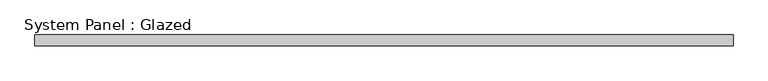
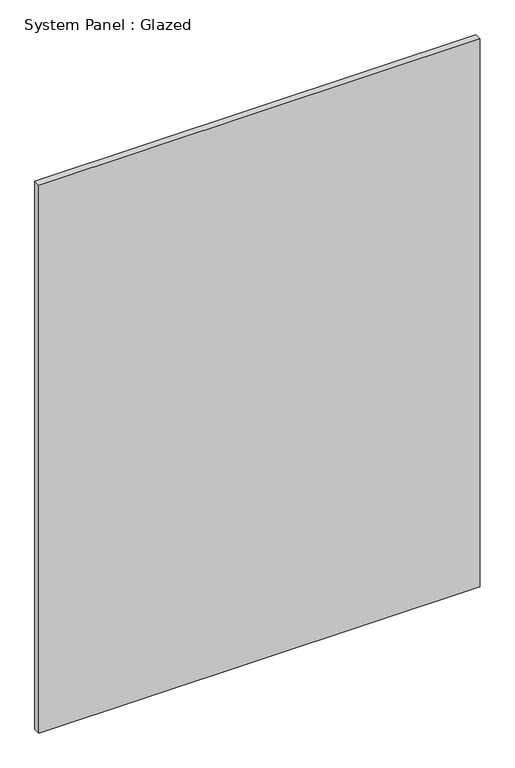
"""IFC4 building model written with IfcOpenShell, lengths in millimetres: plate geometry, System Panel : Glazed."""

import ifcopenshell
import ifcopenshell.guid

model = None  # the IFC model being written
_history = None  # IfcOwnerHistory: only IFC2X3 demands one
_inside = {}  # id of a spatial element -> (the spatial element, [elements in it])
_under = {}  # id of a project, library or spatial element -> (it, [spatial elements below it])
_declared = {}  # id of a project -> (the project, [libraries it declares])
_typed = {}  # id of a type object -> (the type object, [elements of that type])
_made_of = {}  # id of a material, layer set ... -> (it, [elements and type objects made of it])


def new_model(schema):
    """Start an empty IFC model of exactly this schema.

    Asked for "IFC4X3", IfcOpenShell would pick the latest addendum, in which some entities
    have other attributes; the version numbers below select the first issue.
    IFC2X3 requires an IfcOwnerHistory on every rooted entity: one is made here for all.
    """
    global model, _history
    if schema == "IFC4X3":
        model = ifcopenshell.file(schema_version=(4, 3, 0, 0))
    else:
        model = ifcopenshell.file(schema=schema)
    _inside.clear()
    _under.clear()
    _declared.clear()
    _typed.clear()
    _made_of.clear()
    _history = None
    if model.schema == "IFC2X3":
        org = make("IfcOrganization", Name="unknown")
        user = make(
            "IfcPersonAndOrganization",
            ThePerson=make("IfcPerson", FamilyName="unknown"),
            TheOrganization=org,
        )
        app = make(
            "IfcApplication",
            ApplicationDeveloper=org,
            Version="unknown",
            ApplicationFullName="unknown",
            ApplicationIdentifier="unknown",
        )
        _history = make(
            "IfcOwnerHistory",
            OwningUser=user,
            OwningApplication=app,
            ChangeAction="ADDED",
            CreationDate=0,
        )
    return model


def make(cls, **values):
    """One entity of the class cls with the attributes given. An attribute that is None is left unset."""
    return model.create_entity(
        cls, **{name: value for name, value in values.items() if value is not None}
    )


def rooted(cls, **values):
    """An entity with a GlobalId (a new one), such as an element, a storey or a relation."""
    return make(cls, GlobalId=ifcopenshell.guid.new(), OwnerHistory=_history, **values)


def si_unit(unit_type, name, prefix=None):
    """IfcSIUnit, for example si_unit("LENGTHUNIT", "METRE", prefix="MILLI")."""
    return make("IfcSIUnit", UnitType=unit_type, Prefix=prefix, Name=name)


def assignment(units):
    """IfcUnitAssignment: the units of a project."""
    return None if units is None else make("IfcUnitAssignment", Units=units)


def point(xyz):
    """IfcCartesianPoint."""
    return None if xyz is None else make("IfcCartesianPoint", Coordinates=xyz)


def direction(xyz):
    """IfcDirection."""
    return None if xyz is None else make("IfcDirection", DirectionRatios=xyz)


def frame(location, z_axis=None, x_axis=None):
    """IfcAxis2Placement3D, a coordinate frame: its origin and axes. An axis left out is left unset."""
    return make(
        "IfcAxis2Placement3D",
        Location=point(location),
        Axis=direction(z_axis),
        RefDirection=direction(x_axis),
    )


def origin():
    """The frame at (0, 0, 0) with its axes left unset."""
    return frame((0.0, 0.0, 0.0))


def origin_with_axes():
    """The frame at (0, 0, 0) with the z axis (0, 0, 1) and the x axis (1, 0, 0) written out."""
    return frame((0.0, 0.0, 0.0), z_axis=(0.0, 0.0, 1.0), x_axis=(1.0, 0.0, 0.0))


def place(relative_to, where):
    """IfcLocalPlacement: puts the frame where relative to a parent placement (None: the world)."""
    return make(
        "IfcLocalPlacement", PlacementRelTo=relative_to, RelativePlacement=where
    )


def context(
    kind, dimensions, precision=None, world=None, true_north=None, identifier=None
):
    """IfcGeometricRepresentationContext, for example the 3D "Model" context."""
    return make(
        "IfcGeometricRepresentationContext",
        ContextIdentifier=identifier,
        ContextType=kind,
        CoordinateSpaceDimension=dimensions,
        Precision=precision,
        WorldCoordinateSystem=world,
        TrueNorth=true_north,
    )


def project(units=None, contexts=None):
    """IfcProject with its units and contexts."""
    return rooted(
        "IfcProject",
        Name="project",
        RepresentationContexts=contexts,
        UnitsInContext=assignment(units),
    )


def spatial(cls, under=None, at=None, **own):
    """A site, building, storey or space (cls), placed at a placement, below another one or the project."""
    s = rooted(cls, ObjectPlacement=at, **own)
    if under is not None:
        _under.setdefault(under.id(), (under, []))[1].append(s)
    return s


def polyline(points):
    """IfcPolyline through the points."""
    return make("IfcPolyline", Points=[point(p) for p in points])


def outline(outer, holes=None, kind="AREA"):
    """IfcArbitraryClosedProfileDef: a profile drawn as a closed curve; with holes, ...WithVoids."""
    if holes is None:
        return make("IfcArbitraryClosedProfileDef", ProfileType=kind, OuterCurve=outer)
    return make(
        "IfcArbitraryProfileDefWithVoids",
        ProfileType=kind,
        OuterCurve=outer,
        InnerCurves=holes,
    )


def extrude(swept, where, along, depth):
    """IfcExtrudedAreaSolid: the profile swept, set in the frame where, extruded along a direction by depth."""
    return make(
        "IfcExtrudedAreaSolid",
        SweptArea=swept,
        Position=where,
        ExtrudedDirection=direction(along),
        Depth=depth,
    )


def shape(context_of_items, identifier, shape_type, items):
    """IfcShapeRepresentation: the items that make up one representation, for example the "Body"."""
    return make(
        "IfcShapeRepresentation",
        ContextOfItems=context_of_items,
        RepresentationIdentifier=identifier,
        RepresentationType=shape_type,
        Items=items,
    )


def source(mapping_origin, context_of_items, identifier, shape_type, items):
    """IfcRepresentationMap: a shape defined once, which mapped items show again and again."""
    return make(
        "IfcRepresentationMap",
        MappingOrigin=mapping_origin,
        MappedRepresentation=shape(context_of_items, identifier, shape_type, items),
    )


def transform(
    local_origin,
    x_axis=None,
    y_axis=None,
    z_axis=None,
    scale=None,
    scale2=None,
    scale3=None,
    uniform=True,
):
    """IfcCartesianTransformationOperator3D, or its non-uniform kind. x_axis, y_axis, z_axis: its Axis1, 2, 3."""
    if uniform:
        return make(
            "IfcCartesianTransformationOperator3D",
            Axis1=direction(x_axis),
            Axis2=direction(y_axis),
            LocalOrigin=point(local_origin),
            Scale=scale,
            Axis3=direction(z_axis),
        )
    return make(
        "IfcCartesianTransformationOperator3DnonUniform",
        Axis1=direction(x_axis),
        Axis2=direction(y_axis),
        LocalOrigin=point(local_origin),
        Scale=scale,
        Axis3=direction(z_axis),
        Scale2=scale2,
        Scale3=scale3,
    )


def mapped(mapping_source, mapping_target):
    """IfcMappedItem: shows the shape of a source again, moved by a transform."""
    return make(
        "IfcMappedItem", MappingSource=mapping_source, MappingTarget=mapping_target
    )


def made_of(thing, what):
    """Note that an element or type object is made of a material, layer set ...; save() writes the relation."""
    if what is not None:
        _made_of.setdefault(what.id(), (what, []))[1].append(thing)
    return thing


def element(
    cls,
    number,
    at=None,
    inside=None,
    cuts=None,
    type_object=None,
    material=None,
    context=None,
    identifier="Body",
    shape_type=None,
    held_by="IfcProductDefinitionShape",
    body=None,
    shapes=None,
    **own,
):
    """One element of the class cls, such as IfcWall. Its Tag is "e" and its number.

    at: its placement. inside: the storey or other place that contains it. cuts: it is an
    opening in that element (IfcRelVoidsElement). A single representation is given by context,
    identifier, shape_type and body (its items); several are given by shapes. held_by: the class
    of the entity that holds the representations. save() writes the other relations.
    """
    e = rooted(cls, Tag="e%d" % number, ObjectPlacement=at, **own)
    if body is not None:
        shapes = [shape(context, identifier, shape_type, body)]
    if shapes is not None:
        e.Representation = make(held_by, Representations=shapes)
    if inside is not None:
        _inside.setdefault(inside.id(), (inside, []))[1].append(e)
    if cuts is not None:
        rooted(
            "IfcRelVoidsElement", RelatingBuildingElement=cuts, RelatedOpeningElement=e
        )
    if type_object is not None:
        _typed.setdefault(type_object.id(), (type_object, []))[1].append(e)
    return made_of(e, material)


def aggregate(whole, parts):
    """IfcRelAggregates: a whole, such as a stair, and the parts it consists of."""
    return rooted("IfcRelAggregates", RelatingObject=whole, RelatedObjects=parts)


def save(model, path):
    """Write the relations noted so far, then the file.

    IfcRelAggregates (storeys below a building ...), IfcRelContainedInSpatialStructure (elements
    in a storey), IfcRelDefinesByType, IfcRelAssociatesMaterial and IfcRelDeclares: one each for
    every whole, place, type object, material and project.
    """
    for whole, parts in _under.values():
        aggregate(whole, parts)
    for where, things in _inside.values():
        rooted(
            "IfcRelContainedInSpatialStructure",
            RelatedElements=things,
            RelatingStructure=where,
        )
    for kind, things in _typed.values():
        rooted("IfcRelDefinesByType", RelatedObjects=things, RelatingType=kind)
    for what, things in _made_of.values():
        rooted("IfcRelAssociatesMaterial", RelatedObjects=things, RelatingMaterial=what)
    for by, libraries in _declared.values():
        rooted("IfcRelDeclares", RelatingContext=by, RelatedDefinitions=libraries)
    model.write(path)


def system_panel_glazed_7740cc8d(model_context):
    return source(origin(), model_context, "Body", "SweptSolid", [
        extrude(outline(polyline([(800.0, 24.5), (-800.0, 24.5), (-800.0, 49.5), (800.0, 49.5), (800.0, 24.5)])), origin_with_axes(), (0.0, 0.0, 1.0), 2100.0),
    ])


if __name__ == "__main__":
    model = new_model("IFC4")
    model_context = context("Model", 3, world=origin())
    ifc_project = project(units=[si_unit("LENGTHUNIT", "METRE", prefix="MILLI")], contexts=[model_context])
    site = spatial("IfcSite", under=ifc_project)
    building = spatial("IfcBuilding", under=site)
    placement = place(None, origin())
    system_panel_glazed_shape = system_panel_glazed_7740cc8d(model_context)
    element("IfcPlate", 1, ObjectType="System Panel : Glazed", at=placement, inside=building, context=model_context, shape_type="MappedRepresentation", body=[
        mapped(system_panel_glazed_shape, transform((0.0, 0.0, 0.0), x_axis=(1.0, 0.0, 0.0), y_axis=(0.0, 1.0, 0.0), z_axis=(0.0, 0.0, 1.0))),
    ])
    save(model, "model.ifc")
